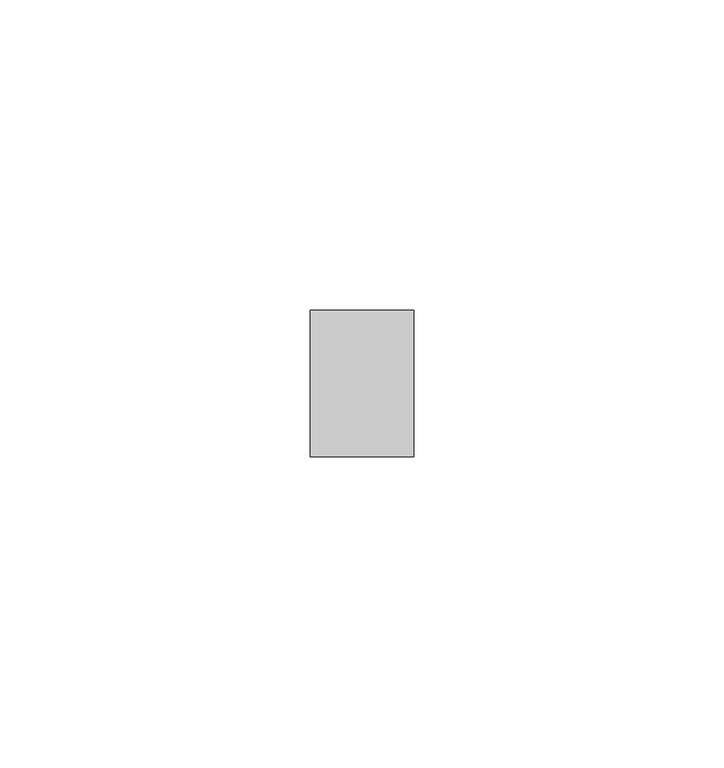
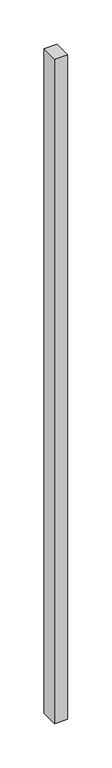
"""IFC4 building model written with IfcOpenShell, lengths in millimetres: proxy geometry."""

from ifc_helpers import new_model, si_unit, frame, origin, place, context, project, spatial, polyline, outline, extrude, source, transform, mapped, element, save


def generic_models_c0ac250c(model_context):
    return source(origin(), model_context, "Body", "SweptSolid", [
        extrude(outline(polyline([(37113.9416284, -24078.607122), (37097.2710168, -24078.607122), (37097.2710168, -24054.9401791), (37113.9416284, -24054.9401791), (37113.9416284, -24078.607122)])), frame((0.0, 0.0, 1524.0), z_axis=(0.0, 0.0, 1.0), x_axis=(1.0, 0.0, 0.0)), (0.0, 0.0, 1.0), 914.4),
    ])


if __name__ == "__main__":
    model = new_model("IFC4")
    model_context = context("Model", 3, world=origin())
    ifc_project = project(units=[si_unit("LENGTHUNIT", "METRE", prefix="MILLI")], contexts=[model_context])
    site = spatial("IfcSite", under=ifc_project)
    building = spatial("IfcBuilding", under=site)
    placement = place(None, origin())
    generic_models_shape = generic_models_c0ac250c(model_context)
    element("IfcBuildingElementProxy", 1, Name="Generic Models", at=placement, inside=building, context=model_context, shape_type="MappedRepresentation", body=[
        mapped(generic_models_shape, transform((0.0, 0.0, 0.0), x_axis=(1.0, 0.0, 0.0), y_axis=(0.0, 1.0, 0.0), z_axis=(0.0, 0.0, 1.0))),
    ])
    save(model, "model.ifc")
